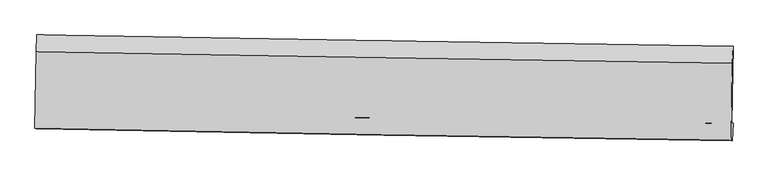
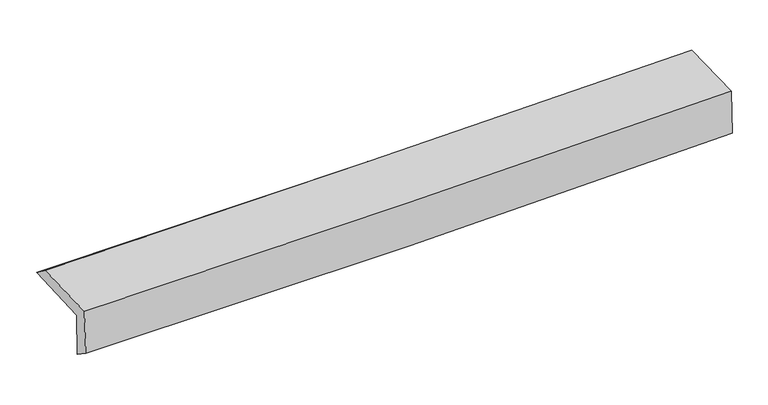
"""IFC4 building model written with IfcOpenShell, lengths in millimetres: proxy geometry."""

from ifc_helpers import new_model, si_unit, frame, origin, place, context, project, spatial, source, transform, mapped, element, save
from ifc_brep_helpers import plane_surface, spline_curve, spline_surface, advanced_brep


def generic_models_18594fda(model_context):
    return source(origin(), model_context, "Body", "AdvancedBrep", [
        advanced_brep(
        [(-3024.7024571, -1758.7460366, 1973.0926462), (-3013.6714001, -1084.2709819, 1987.2945934), (3011.7144419, -1184.3919623, 2121.9041503), (3000.7988534, -1848.8378503, 2122.9162964), (-3014.6519135, -1749.731016, 1575.1090708), (3011.1603394, -1849.6435122, 1705.7659557), (-3019.6093569, -1894.1696836, 1676.4105648), (3005.803797, -1999.4956579, 1822.3878726), (-3029.9192732, -1890.3077774, 2093.5615405), (2995.492203, -1995.6336572, 2239.5463397), (-3018.8882036, -1231.0506636, 2097.4354462), (3006.2825423, -1331.3831735, 2243.4414926)],
        [
            (0, 1),
            (1, 2, spline_curve(3, [(-3013.6714001, -1084.2709819, 1987.2945934), (-2009.146996096, -1101.606876523, 1997.131823711), (-1004.764703373, -1118.618312078, 2013.268062567), (1003.697238894, -1151.991960608, 2058.13814607), (2007.776893149, -1168.354184624, 2086.871759272), (3011.7144419, -1184.3919623, 2121.9041503)], [4, 2, 4], [0.0, 9.888610211168745, 19.777039020777142])),
            (2, 3),
            (3, 0, spline_curve(3, [(3000.7988534, -1848.8378503, 2122.9162964), (1997.02083599, -1831.141422514, 2080.420121943), (993.011325776, -1814.785614114, 2046.686764643), (-1015.489102608, -1784.754960235, 1996.745226677), (-2019.980029392, -1771.080164063, 1980.537367154), (-3024.7024571, -1758.7460366, 1973.0926462)], [4, 2, 4], [0.0, 9.888428809608397, 19.777039020777142])),
            (4, 0),
            (3, 5),
            (5, 4, spline_curve(3, [(3011.1603394, -1849.6435122, 1705.7659557), (2007.309346998, -1826.961289649, 1669.522595574), (1003.237437455, -1807.294185594, 1640.512875468), (-1005.366638837, -1773.989909528, 1596.960315053), (-2009.898813594, -1760.352848135, 1582.417740336), (-3014.6519135, -1749.731016, 1575.1090708)], [4, 2, 4], [0.0, 9.88875710151746, 19.777695610617727])),
            (6, 4),
            (5, 7),
            (7, 6, spline_curve(3, [(3005.803797, -1999.4956579, 1822.3878726), (2001.92360543, -1984.394366099, 1781.74796042), (997.870353693, -1968.066647448, 1749.263265464), (-1010.600691056, -1932.958034324, 1700.603863615), (-2015.018491109, -1914.17709475, 1684.429455951), (-3019.6093569, -1894.1696836, 1676.4105648)], [4, 2, 4], [0.0, 9.888774209669082, 19.77772982723482])),
            (8, 6),
            (7, 9),
            (9, 8, spline_curve(3, [(2995.492203, -1995.6336572, 2239.5463397), (1991.447495482, -1980.470656, 2205.572512563), (987.312125059, -1964.11209025, 2176.420266299), (-1021.158364016, -1929.003507323, 2127.758489959), (-2025.49348535, -1910.253446504, 2108.249136119), (-3029.9192732, -1890.3077774, 2093.5615405)], [4, 2, 4], [0.0, 9.888738408160757, 19.777658223561396])),
            (10, 8),
            (9, 11),
            (11, 10, spline_curve(3, [(3006.2825423, -1331.3831735, 2243.4414926), (2002.305904318, -1315.382045689, 2209.473939615), (998.224629683, -1299.020519178, 2180.323059795), (-1010.165615305, -1265.576362661, 2131.654200798), (-2014.474589129, -1248.493719042, 2112.136398484), (-3018.8882036, -1231.0506636, 2097.4354462)], [4, 2, 4], [0.0, 9.88839476031149, 19.7769709215587])),
            (1, 10),
            (11, 2),
        ],
        [
            spline_surface(3, 3, [[(-3024.7024571, -1758.7460366, 1973.0926462), (-2019.980029256, -1771.080164185, 1980.537367016), (-1015.489102587, -1784.754960308, 1996.745226544), (993.011325755, -1814.785614041, 2046.686764775), (1997.020835916, -1831.141422526, 2080.420122), (3000.7988534, -1848.8378503, 2122.9162964)], [(-3021.025438116, -1533.92101837, 1977.8266286), (-2016.369018271, -1547.92240159, 1986.068852587), (-1011.914302816, -1562.709410961, 2002.252838588), (996.573296785, -1593.854396191, 2050.503891876), (2000.606188326, -1610.212343289, 2082.570667818), (3004.437382882, -1627.355887651, 2122.578914374)], [(-3017.348419084, -1309.09600013, 1982.560611), (-2012.758007237, -1324.764638987, 1991.600338157), (-1008.33950307, -1340.663861578, 2007.760450575), (1000.135267791, -1372.923178305, 2054.321018918), (2004.19154079, -1389.283263999, 2084.721213615), (3008.075912418, -1405.873924949, 2122.241532326)], [(-3013.6714001, -1084.2709819, 1987.2945934), (-2009.146996253, -1101.606876393, 1997.131823728), (-1004.764703299, -1118.618312231, 2013.268062619), (1003.69723882, -1151.991960455, 2058.138146018), (2007.7768932, -1168.354184762, 2086.871759433), (3011.7144419, -1184.3919623, 2121.9041503)]], [4, 4], [4, 2, 4], [0.0, 2.1807696589211263], [0.0, 9.888610211168745, 19.777039020777142]),
            spline_surface(3, 3, [[(-3014.6519135, -1749.731016, 1575.1090708), (-2009.898813654, -1760.352848125, 1582.417740315), (-1005.366638787, -1773.989909543, 1596.960315074), (1003.237437405, -1807.294185579, 1640.512875447), (2007.309346843, -1826.961289539, 1669.522595646), (3011.1603394, -1849.6435122, 1705.7659557)], [(-3018.002094705, -1752.736022868, 1707.770262593), (-2013.259218859, -1763.928620146, 1715.124282541), (-1008.740793393, -1777.578259779, 1730.221952222), (999.828733516, -1809.791328381, 1775.904171881), (2003.8798432, -1828.35466717, 1806.488437743), (3007.706510733, -1849.374958202, 1844.816069245)], [(-3021.352275895, -1755.741029732, 1840.431454407), (-2016.61962405, -1767.504392164, 1847.830824789), (-1012.114947981, -1781.166610071, 1863.483589396), (996.420029644, -1812.288471239, 1911.295468341), (2000.450339559, -1829.748044894, 1943.454279903), (3004.252682067, -1849.106404298, 1983.866182855)], [(-3024.7024571, -1758.7460366, 1973.0926462), (-2019.980029256, -1771.080164185, 1980.537367016), (-1015.489102587, -1784.754960308, 1996.745226544), (993.011325755, -1814.785614041, 2046.686764775), (1997.020835916, -1831.141422526, 2080.420122), (3000.7988534, -1848.8378503, 2122.9162964)]], [4, 4], [4, 2, 4], [0.0, 1.3228710635972307], [0.0, 9.888938509100267, 19.777695610617727]),
            spline_surface(3, 3, [[(-3019.6093569, -1894.1696836, 1676.4105648), (-2015.018490951, -1914.177094905, 1684.429456022), (-1010.600691171, -1932.958034334, 1700.603863637), (997.870353809, -1968.066647438, 1749.263265443), (2001.92360527, -1984.394366106, 1781.747960446), (3005.803797, -1999.4956579, 1822.3878726)], [(-3017.956875741, -1846.023461065, 1642.643400151), (-2013.311931826, -1862.902345977, 1650.425550804), (-1008.856007027, -1879.968659408, 1666.056014112), (999.65938169, -1914.475826822, 1713.01313544), (2003.718852455, -1931.916673925, 1744.339505544), (3007.589311127, -1949.544942675, 1783.513900331)], [(-3016.304394659, -1797.877238535, 1608.876235449), (-2011.605372779, -1811.627597054, 1616.421645533), (-1007.111322931, -1826.979284469, 1631.508164599), (1001.448409524, -1860.885006195, 1676.76300545), (2005.514099658, -1879.438981719, 1706.931050548), (3009.374825273, -1899.594227425, 1744.639927969)], [(-3014.6519135, -1749.731016, 1575.1090708), (-2009.898813654, -1760.352848125, 1582.417740315), (-1005.366638787, -1773.989909543, 1596.960315074), (1003.237437405, -1807.294185579, 1640.512875447), (2007.309346843, -1826.961289539, 1669.522595646), (3011.1603394, -1849.6435122, 1705.7659557)]], [4, 4], [4, 2, 4], [0.0, 0.6299245726154138], [0.0, 9.888955617565736, 19.77772982723482]),
            spline_surface(3, 3, [[(-3029.9192732, -1890.3077774, 2093.5615405), (-2025.493485447, -1910.253446622, 2108.249136224), (-1021.158363856, -1929.00350742, 2127.758489816), (987.312124899, -1964.112090152, 2176.420266442), (1991.447495345, -1980.470655959, 2205.572512605), (2995.492203, -1995.6336572, 2239.5463397)], [(-3026.482634435, -1891.595079469, 1954.511215264), (-2022.001820617, -1911.561329385, 1966.975909487), (-1017.639139641, -1930.321683061, 1985.373614425), (990.831534522, -1965.430275917, 2034.034599444), (1994.939531999, -1981.778559347, 2064.297661884), (2998.929401013, -1996.920990772, 2100.493517332)], [(-3023.045995665, -1892.882381531, 1815.460890036), (-2018.510155781, -1912.869212142, 1825.702682759), (-1014.119915386, -1931.639858693, 1842.988739028), (994.350944185, -1966.748461673, 1891.648932441), (1998.431568616, -1983.086462719, 1923.022811167), (3002.366598987, -1998.208324328, 1961.440694968)], [(-3019.6093569, -1894.1696836, 1676.4105648), (-2015.018490951, -1914.177094905, 1684.429456022), (-1010.600691171, -1932.958034334, 1700.603863637), (997.870353809, -1968.066647438, 1749.263265443), (2001.92360527, -1984.394366106, 1781.747960446), (3005.803797, -1999.4956579, 1822.3878726)]], [4, 4], [4, 2, 4], [0.0, 1.4019178891879371], [0.0, 9.888919815400639, 19.777658223561396]),
            spline_surface(3, 3, [[(-3018.8882036, -1231.0506636, 2097.4354462), (-2014.474589117, -1248.493718937, 2112.136398468), (-1010.165615202, -1265.576362558, 2131.654200864), (998.224629581, -1299.020519281, 2180.323059729), (2002.305904323, -1315.382045668, 2209.47393945), (3006.2825423, -1331.3831735, 2243.4414926)], [(-3022.565226825, -1450.803034855, 2096.144144307), (-2018.147554585, -1469.080294821, 2110.840644394), (-1013.829864733, -1486.718744195, 2130.355630507), (994.58712804, -1520.717709588, 2179.022128626), (1998.686434665, -1537.078249105, 2208.173463824), (3002.685762535, -1552.800001407, 2242.143108288)], [(-3026.242249975, -1670.555406145, 2094.852842393), (-2021.820519979, -1689.666870739, 2109.544890298), (-1017.494114325, -1707.861125783, 2129.057060173), (990.949626439, -1742.414899845, 2177.721197545), (1995.066965003, -1758.774452522, 2206.872988232), (2999.088982765, -1774.216829293, 2240.844724012)], [(-3029.9192732, -1890.3077774, 2093.5615405), (-2025.493485447, -1910.253446622, 2108.249136224), (-1021.158363856, -1929.00350742, 2127.758489816), (987.312124899, -1964.112090152, 2176.420266442), (1991.447495345, -1980.470655959, 2205.572512605), (2995.492203, -1995.6336572, 2239.5463397)]], [4, 4], [4, 2, 4], [0.0, 2.1796623208739625], [0.0, 9.88857616124721, 19.7769709215587]),
            spline_surface(3, 3, [[(-3013.6714001, -1084.2709819, 1987.2945934), (-2009.146996253, -1101.606876393, 1997.131823728), (-1004.764703299, -1118.618312231, 2013.268062619), (1003.69723882, -1151.991960455, 2058.138146018), (2007.7768932, -1168.354184762, 2086.871759433), (3011.7144419, -1184.3919623, 2121.9041503)], [(-3015.410334578, -1133.197542474, 2024.008210985), (-2010.922860519, -1150.569157249, 2035.46668196), (-1006.565007292, -1167.60432899, 2052.730108699), (1001.873035715, -1201.001480047, 2098.866450587), (2005.953230251, -1217.363471724, 2127.739152768), (3009.90380871, -1233.389032693, 2162.416597729)], [(-3017.149269122, -1182.124103026, 2060.721828615), (-2012.698724851, -1199.531438081, 2073.801540236), (-1008.365311209, -1216.590345799, 2092.192154784), (1000.048832686, -1250.010999689, 2139.59475516), (2004.129567272, -1266.372758706, 2168.606546115), (3008.09317549, -1282.386103107, 2202.929045171)], [(-3018.8882036, -1231.0506636, 2097.4354462), (-2014.474589117, -1248.493718937, 2112.136398468), (-1010.165615202, -1265.576362558, 2131.654200864), (998.224629581, -1299.020519281, 2180.323059729), (2002.305904323, -1315.382045668, 2209.47393945), (3006.2825423, -1331.3831735, 2243.4414926)]], [4, 4], [4, 2, 4], [0.0, 0.6234043802186168], [0.0, 9.88830317441492, 19.776424952901927]),
            plane_surface(frame((3005.2086962, -1701.5643022, 2042.6603512), z_axis=(0.999556707130551, -0.016382956888687492, 0.024859363505798565), x_axis=(0.024710043258468047, -0.009254651066643499, -0.9996518219839342))),
            plane_surface(frame((-3020.2404341, -1601.3793599, 1900.483977), z_axis=(-0.9995485686339043, 0.016871104413600617, -0.02486010413853121), x_axis=(-0.016349215919559748, -0.9996447621197039, -0.021048817198510858))),
        ],
        [
            (0, [[1, 2, 3, 4]]),
            (1, [[5, -4, 6, 7]]),
            (2, [[8, -7, 9, 10]]),
            (3, [[11, -10, 12, 13]]),
            (4, [[14, -13, 15, 16]]),
            (5, [[17, -16, 18, -2]]),
            (6, [[-12, -9, -6, -3, -18, -15]]),
            (7, [[-1, -5, -8, -11, -14, -17]]),
        ],
    ),
    ])


if __name__ == "__main__":
    model = new_model("IFC4")
    model_context = context("Model", 3, world=origin())
    ifc_project = project(units=[si_unit("LENGTHUNIT", "METRE", prefix="MILLI")], contexts=[model_context])
    site = spatial("IfcSite", under=ifc_project)
    building = spatial("IfcBuilding", under=site)
    placement = place(None, origin())
    generic_models_shape = generic_models_18594fda(model_context)
    element("IfcBuildingElementProxy", 1, Name="Generic Models", at=placement, inside=building, context=model_context, shape_type="MappedRepresentation", body=[
        mapped(generic_models_shape, transform((0.0, 0.0, 0.0), x_axis=(1.0, 0.0, 0.0), y_axis=(0.0, 1.0, 0.0), z_axis=(0.0, 0.0, 1.0))),
    ])
    save(model, "model.ifc")
